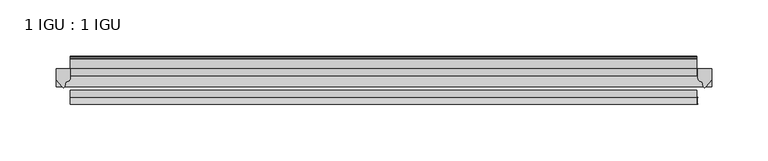
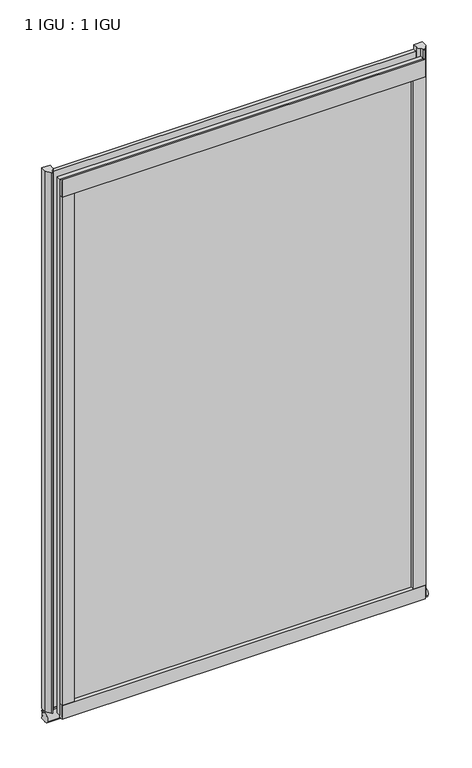
"""IFC4 building model written with IfcOpenShell, lengths in millimetres: plate geometry, 1 IGU : 1 IGU."""

from ifc_helpers import new_model, si_unit, point, frame, frame_2d, origin, place, context, project, spatial, polyline, circle_curve, ellipse_curve, trimmed, segment, composite_curve, outline, extrude, source, transform, mapped, element, save
from ifc_brep_helpers import plane_surface, revolved_surface, extruded_surface, advanced_brep


def plate_1_igu_1_igu_848f883e(model_context):
    return source(origin(), model_context, "Body", "SolidModel", [
        extrude(outline(polyline([(247.1463873, 0.0021347), (247.1463873, -6.2992), (-311.2305873, -6.2992), (-311.2305873, 0.0021347), (247.1463873, 0.0021347)])), frame((0.0, 0.0, -19.05), z_axis=(0.0, 0.0, 1.0), x_axis=(1.0, 0.0, 0.0)), (0.0, 0.0, 1.0), 869.9368072),
        extrude(outline(polyline([(-311.2305873, -19.0986653), (247.1463873, -19.0986653), (247.1463873, -25.3978653), (-311.2305873, -25.3978653), (-311.2305873, -19.0986653)])), frame((0.0, 0.0, -19.05), z_axis=(0.0, 0.0, 1.0), x_axis=(1.0, 0.0, 0.0)), (0.0, 0.0, 1.0), 869.9368072),
        advanced_brep(
        [(260.4305873, -2.9334208, -29.3692082), (260.4305873, -15.7658436, -30.8313288), (260.4305873, -6.7904952, -34.925), (260.4305873, 0.0, -34.925), (260.4305873, 0.0, -22.225), (260.4305873, -2.5187477, -22.225), (-323.9305873, -2.9073519, -29.3720514), (-323.9305873, -2.5187477, -22.225), (-323.9305873, 0.0, -22.225), (-323.9305873, 0.0, -34.925), (-323.9305873, -6.7904952, -34.925), (-323.9305873, -15.7658436, -30.8313288)],
        [
            (0, 1, ellipse_curve(frame((260.4305873, -9.5065066, -28.575), z_axis=(1.0, 0.0, 0.0), x_axis=(0.0, 0.0, -1.0)), 6.9638038, 6.6162554)),
            (1, 2, ellipse_curve(frame((260.4305873, -9.5065066, -28.575), z_axis=(1.0, 0.0, 0.0), x_axis=(0.0, 0.0, -1.0)), 6.9638038, 6.6162554)),
            (2, 3),
            (3, 4, circle_curve(frame((260.4305873, 24.1576838, -28.575), z_axis=(-1.0, 0.0, 0.0), x_axis=(0.0, 0.0, 1.0)), 24.9783143)),
            (4, 5),
            (5, 0, circle_curve(frame((260.4305873, -68.4358767, -22.225), z_axis=(-1.0, 0.0, 0.0), x_axis=(0.0, 0.0, 1.0)), 65.917129)),
            (6, 7, circle_curve(frame((-323.9305873, -68.4358767, -22.225), z_axis=(1.0, 0.0, 0.0), x_axis=(0.0, 0.0, 1.0)), 65.917129)),
            (7, 8),
            (8, 9, circle_curve(frame((-323.9305873, 24.1576838, -28.575), z_axis=(1.0, 0.0, 0.0), x_axis=(0.0, 0.0, 1.0)), 24.9783143)),
            (9, 10),
            (10, 11, ellipse_curve(frame((-323.9305873, -9.5065066, -28.575), z_axis=(-1.0, 0.0, 0.0), x_axis=(0.0, 0.0, -1.0)), 6.9638038, 6.6162554)),
            (11, 6, ellipse_curve(frame((-323.9305873, -9.5065066, -28.575), z_axis=(-1.0, 0.0, 0.0), x_axis=(0.0, 0.0, -1.0)), 6.9638038, 6.6162554)),
            (0, 6),
            (11, 1),
            (10, 2),
            (9, 3),
            (8, 4),
            (7, 5),
        ],
        [
            plane_surface(frame((260.4305873, 0.0, -28.575), z_axis=(1.0, 0.0, 0.0), x_axis=(0.0, 1.0, 0.0))),
            plane_surface(frame((-323.9305873, 0.0, -28.575), z_axis=(-1.0, 0.0, 0.0), x_axis=(0.0, 1.0, 0.0))),
            extruded_surface(trimmed(ellipse_curve(frame((-323.9305873, -9.5065066, -28.575), z_axis=(1.0, 0.0, 0.0), x_axis=(0.0, 0.0, -1.0)), 6.9638038, 6.6162554), [point((-323.9305873, -2.9334208, -29.3692082))], [point((-323.9305873, -15.7658436, -30.8313288))], True, "CARTESIAN"), (584.3611746, 0.0, 0.0), 584.3611746),
            extruded_surface(trimmed(ellipse_curve(frame((-323.9305873, -9.5065066, -28.575), z_axis=(1.0, 0.0, 0.0), x_axis=(0.0, 0.0, -1.0)), 6.9638038, 6.6162554), [point((-323.9305873, -15.7658436, -30.8313288))], [point((-323.9305873, -6.7904952, -34.925))], True, "CARTESIAN"), (584.3611746, 0.0, 0.0), 584.3611746),
            plane_surface(frame((260.4305873, -6.7904952, -34.925), z_axis=(0.0, 0.0, -1.0), x_axis=(-1.0, 0.0, 0.0))),
            revolved_surface(polyline([(-323.9305873, 24.1576838, -3.5966856999999983), (260.4305873, 24.1576838, -3.5966856999999983)]), (260.4305873, 24.1576838, -28.575), (-1.0, 0.0, 0.0)),
            plane_surface(frame((260.4305873, 0.0, -22.225), z_axis=(0.0, 0.0, 1.0), x_axis=(-1.0, 0.0, 0.0))),
            revolved_surface(polyline([(-323.9305873, -68.4358767, 43.692129), (260.4305873, -68.4358767, 43.692129)]), (260.4305873, -68.4358767, -22.225), (-1.0, 0.0, 0.0)),
        ],
        [
            (0, [[1, 2, 3, 4, 5, 6]]),
            (1, [[7, 8, 9, 10, 11, 12]]),
            (2, [[-1, 13, -12, 14]]),
            (3, [[-2, -14, -11, 15]]),
            (4, [[-3, -15, -10, 16]]),
            (5, [[-4, -16, -9, 17]]),
            (6, [[-5, -17, -8, 18]]),
            (7, [[-6, -18, -7, -13]]),
        ],
    ),
        extrude(outline(composite_curve([segment(polyline([(260.4305873, 0.0), (260.4305873, -9.7395025), (254.8643564, -16.3730781)]), True, "CONTINUOUS"), segment(trimmed(circle_curve(frame_2d((253.9106815, -15.7728374)), 1.1268473), [point((254.8643564, -16.3730781))], [point((252.8097285, -16.0130197))], False, "CARTESIAN"), True, "CONTINUOUS"), segment(polyline([(252.8097285, -16.0130197), (251.8295371, -11.7377885)]), True, "CONTINUOUS"), segment(trimmed(circle_curve(frame_2d((251.7020853, -7.7683362)), 3.9714979), [point((251.8295371, -11.7377885))], [point((247.7307659, -7.8060014))], False, "CARTESIAN"), True, "CONTINUOUS"), segment(polyline([(247.7307659, -7.8060014), (247.7307659, 0.0), (260.4305873, 0.0)]), True, "CONTINUOUS")], self_intersect=False)), frame((0.0, 0.0, -19.05), z_axis=(0.0, 0.0, 1.0), x_axis=(1.0, 0.0, 0.0)), (0.0, 0.0, 1.0), 877.0742072),
        extrude(outline(composite_curve([segment(polyline([(-311.2305873, 8.8e-06), (-311.2305873, -7.7683362)]), True, "CONTINUOUS"), segment(trimmed(circle_curve(frame_2d((-315.2020853, -7.7683362)), 3.9714979), [point((-311.2305873, -7.7683362))], [point((-315.3295371, -11.7377885))], False, "CARTESIAN"), True, "CONTINUOUS"), segment(polyline([(-315.3295371, -11.7377885), (-316.3095716, -16.012436)]), True, "CONTINUOUS"), segment(trimmed(circle_curve(frame_2d((-317.4107806, -15.7723555)), 1.1270758), [point((-316.3095716, -16.012436))], [point((-318.36462, -16.372764))], False, "CARTESIAN"), True, "CONTINUOUS"), segment(polyline([(-318.36462, -16.372764), (-323.9305873, -9.7395025), (-323.9305873, 8.8e-06), (-311.2305873, 8.8e-06)]), True, "CONTINUOUS")], self_intersect=False)), frame((0.0, 0.0, -19.05), z_axis=(0.0, 0.0, 1.0), x_axis=(1.0, 0.0, 0.0)), (0.0, 0.0, 1.0), 877.0742072),
        extrude(outline(composite_curve([segment(polyline([(-31.75, 0.0), (-25.4, 0.0), (-25.4, -22.225)]), True, "CONTINUOUS"), segment(trimmed(circle_curve(frame_2d((-28.575, -28.9113452)), 7.4018806), [point((-25.4, -22.225))], [point((-31.75, -22.225))], True, "CARTESIAN"), True, "CONTINUOUS"), segment(polyline([(-31.75, -22.225), (-31.75, 0.0)]), True, "CONTINUOUS")], self_intersect=False)), frame((-311.2305873, 0.0, 0.0), z_axis=(1.0, 0.0, 0.0), x_axis=(0.0, 1.0, 0.0)), (0.0, 0.0, 1.0), 558.3769747),
        extrude(outline(composite_curve([segment(polyline([(8.509, 840.7300284), (8.509, 838.6980284), (6.35, 838.6980284), (6.35, 833.3640284), (8.9492698, 833.3640284)]), True, "CONTINUOUS"), segment(trimmed(circle_curve(frame_2d((8.208689, 831.8368072)), 1.697311), [point((8.9492698, 833.3640284))], [point((8.962411, 830.3160284))], False, "CARTESIAN"), True, "CONTINUOUS"), segment(polyline([(8.962411, 830.3160284), (6.35, 830.3160284), (6.35, 825.4868072), (11.1252, 825.4868072), (11.1252, 824.5978072)]), True, "CONTINUOUS"), segment(trimmed(circle_curve(frame_2d((10.1092, 824.5978072)), 1.016), [point((11.1252, 824.5978072))], [point((10.1092, 823.5818072))], False, "CARTESIAN"), True, "CONTINUOUS"), segment(trimmed(circle_curve(frame_2d((10.1092, 804.1707318)), 19.4110754), [point((10.1092, 823.5818072))], [point((0.0, 820.7416075))], True, "CARTESIAN"), True, "CONTINUOUS"), segment(polyline([(0.0, 820.7416075), (0.0, 840.7300284), (8.509, 840.7300284)]), True, "CONTINUOUS")], self_intersect=False)), frame((-311.2305873, 0.0, 0.0), z_axis=(1.0, 0.0, 0.0), x_axis=(0.0, 1.0, 0.0)), (0.0, 0.0, 1.0), 558.3769747),
        extrude(outline(composite_curve([segment(polyline([(-25.4, 850.8868072), (-25.4, 825.4868072), (-31.75, 825.4868072), (-31.75, 853.6597045)]), True, "CONTINUOUS"), segment(trimmed(circle_curve(frame_2d((-24.1401272, 862.4292187)), 11.6109665), [point((-31.75, 853.6597045))], [point((-25.4, 850.8868072))], True, "CARTESIAN"), True, "CONTINUOUS")], self_intersect=False)), frame((-311.2305873, 0.0, 0.0), z_axis=(1.0, 0.0, 0.0), x_axis=(0.0, 1.0, 0.0)), (0.0, 0.0, 1.0), 558.3769747),
        extrude(outline(composite_curve([segment(polyline([(228.6805873, -25.4), (247.7305873, -25.4)]), True, "CONTINUOUS"), segment(trimmed(circle_curve(frame_2d((257.196738, -28.575)), 9.9844196), [point((247.7305873, -25.4))], [point((247.7305873, -31.75))], True, "CARTESIAN"), True, "CONTINUOUS"), segment(polyline([(247.7305873, -31.75), (228.6805873, -31.75), (228.6805873, -25.4)]), True, "CONTINUOUS")], self_intersect=False)), frame((0.0, 0.0, -19.05), z_axis=(0.0, 0.0, 1.0), x_axis=(1.0, 0.0, 0.0)), (0.0, 0.0, 1.0), 869.9368072),
        extrude(outline(composite_curve([segment(trimmed(circle_curve(frame_2d((-320.696738, -28.575)), 9.9844196), [point((-311.2305873, -31.75))], [point((-311.2305873, -25.4))], True, "CARTESIAN"), True, "CONTINUOUS"), segment(polyline([(-311.2305873, -25.4), (-292.1805873, -25.4), (-292.1805873, -31.75), (-311.2305873, -31.75)]), True, "CONTINUOUS")], self_intersect=False)), frame((0.0, 0.0, -19.05), z_axis=(0.0, 0.0, 1.0), x_axis=(1.0, 0.0, 0.0)), (0.0, 0.0, 1.0), 869.9368072),
    ])


if __name__ == "__main__":
    model = new_model("IFC4")
    model_context = context("Model", 3, world=origin())
    ifc_project = project(units=[si_unit("LENGTHUNIT", "METRE", prefix="MILLI")], contexts=[model_context])
    site = spatial("IfcSite", under=ifc_project)
    building = spatial("IfcBuilding", under=site)
    placement = place(None, origin())
    plate_1_igu_1_igu_shape = plate_1_igu_1_igu_848f883e(model_context)
    element("IfcPlate", 1, ObjectType="1 IGU : 1 IGU", at=placement, inside=building, context=model_context, shape_type="MappedRepresentation", body=[
        mapped(plate_1_igu_1_igu_shape, transform((0.0, 0.0, 0.0), x_axis=(1.0, 0.0, 0.0), y_axis=(0.0, 1.0, 0.0), z_axis=(0.0, 0.0, 1.0))),
    ])
    save(model, "model.ifc")
